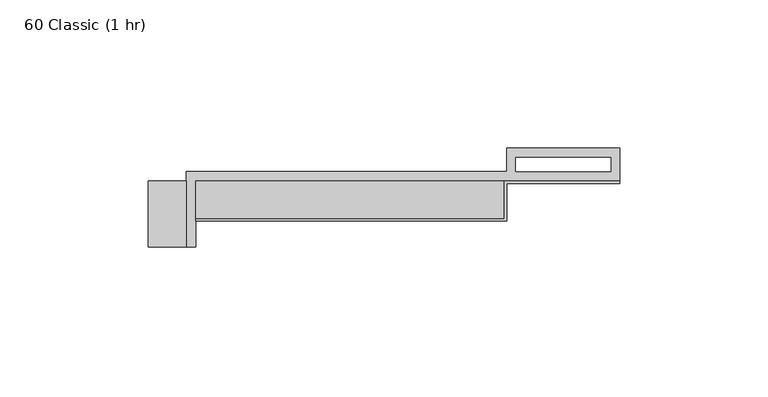
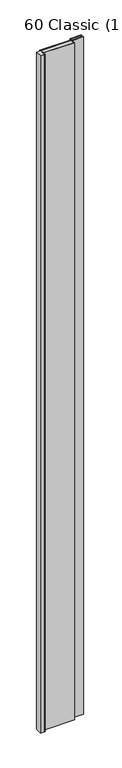
"""IFC4 building model written with IfcOpenShell, lengths in millimetres: proxy geometry, 60 Classic (1 hr)."""

from ifc_helpers import new_model, si_unit, origin, origin_with_axes, place, context, project, spatial, polyline, outline, extrude, source, transform, mapped, element, save


def proxy_60_classic_1_hr_74727e83(model_context):
    return source(origin(), model_context, "Body", "SweptSolid", [
        extrude(outline(polyline([(-104.775, -12.7), (-0.79375, -12.7), (-0.79375, 0.0), (38.1, 0.0), (38.1, -0.79375), (0.0, -0.79375), (0.0, -13.49375), (-104.775, -13.49375), (-104.775, -12.7)])), origin_with_axes(), (0.0, 0.0, 1.0), 2438.4),
        extrude(outline(polyline([(-107.95, 0.0), (-107.95, -22.225), (-120.65, -22.225), (-120.65, 0.0), (-107.95, 0.0)])), origin_with_axes(), (0.0, 0.0, 1.0), 2438.4),
        extrude(outline(polyline([(0.0, 0.0), (0.0, -12.7), (-104.775, -12.7), (-104.775, 0.0), (0.0, 0.0)])), origin_with_axes(), (0.0, 0.0, 1.0), 2438.4),
        extrude(outline(polyline([(-107.95, -22.225), (-107.95, 3.175), (0.0, 3.175), (0.0, 11.1125), (38.1, 11.1125), (38.1, 0.0), (-104.775, 0.0), (-104.775, -22.225), (-107.95, -22.225)]), holes=[polyline([(3.175, 3.175), (35.1499571, 3.175), (35.1499571, 7.9375), (3.175, 7.9375), (3.175, 3.175)])]), origin_with_axes(), (0.0, 0.0, 1.0), 2438.4),
    ])


if __name__ == "__main__":
    model = new_model("IFC4")
    model_context = context("Model", 3, world=origin())
    ifc_project = project(units=[si_unit("LENGTHUNIT", "METRE", prefix="MILLI")], contexts=[model_context])
    site = spatial("IfcSite", under=ifc_project)
    building = spatial("IfcBuilding", under=site)
    placement = place(None, origin())
    proxy_60_classic_1_hr_shape = proxy_60_classic_1_hr_74727e83(model_context)
    element("IfcBuildingElementProxy", 1, Name="60 Classic (1 hr)", ObjectType="60 Classic (1 hr)", at=placement, inside=building, context=model_context, shape_type="MappedRepresentation", body=[
        mapped(proxy_60_classic_1_hr_shape, transform((0.0, 0.0, 0.0), x_axis=(1.0, 0.0, 0.0), y_axis=(0.0, 1.0, 0.0), z_axis=(0.0, 0.0, 1.0))),
    ])
    save(model, "model.ifc")
